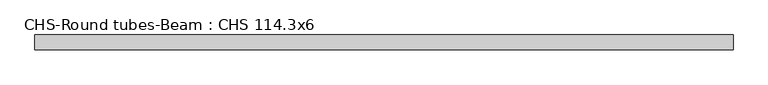
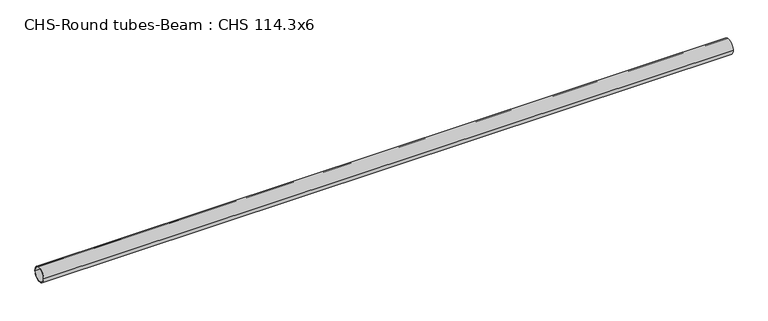
"""IFC4 building model written with IfcOpenShell, lengths in millimetres: beam geometry, CHS-Round tubes-Beam : CHS 114.3x6."""

from ifc_helpers import new_model, si_unit, point, frame, origin, origin_2d, place, context, project, spatial, circle_curve, trimmed, segment, composite_curve, outline, extrude, source, transform, mapped, element, save


def chs_round_tubes_beam_chs_114_3x6_7a189dbe(model_context):
    return source(origin(), model_context, "Body", "SweptSolid", [
        extrude(outline(composite_curve([segment(trimmed(circle_curve(origin_2d(), 57.15), [point((57.15, 0.0))], [point((-57.15, 0.0))], False, "CARTESIAN"), True, "CONTINUOUS"), segment(trimmed(circle_curve(origin_2d(), 57.15), [point((-57.15, 0.0))], [point((57.15, 0.0))], False, "CARTESIAN"), True, "CONTINUOUS")], self_intersect=False), holes=[composite_curve([segment(trimmed(circle_curve(origin_2d(), 51.15), [point((51.15, 0.0))], [point((-51.15, 0.0))], True, "CARTESIAN"), True, "CONTINUOUS"), segment(trimmed(circle_curve(origin_2d(), 51.15), [point((-51.15, 0.0))], [point((51.15, 0.0))], True, "CARTESIAN"), True, "CONTINUOUS")], self_intersect=False)]), frame((-2655.501336, 0.0, 0.0), z_axis=(1.0, 0.0, 0.0), x_axis=(0.0, 1.0, 0.0)), (0.0, 0.0, 1.0), 5305.4004096),
    ])


if __name__ == "__main__":
    model = new_model("IFC4")
    model_context = context("Model", 3, world=origin())
    ifc_project = project(units=[si_unit("LENGTHUNIT", "METRE", prefix="MILLI")], contexts=[model_context])
    site = spatial("IfcSite", under=ifc_project)
    building = spatial("IfcBuilding", under=site)
    placement = place(None, origin())
    chs_round_tubes_beam_chs_114_3x6_shape = chs_round_tubes_beam_chs_114_3x6_7a189dbe(model_context)
    element("IfcBeam", 1, ObjectType="CHS-Round tubes-Beam : CHS 114.3x6", at=placement, inside=building, context=model_context, shape_type="MappedRepresentation", body=[
        mapped(chs_round_tubes_beam_chs_114_3x6_shape, transform((0.0, 0.0, 0.0), x_axis=(1.0, 0.0, 0.0), y_axis=(0.0, 1.0, 0.0), z_axis=(0.0, 0.0, 1.0))),
    ])
    save(model, "model.ifc")
